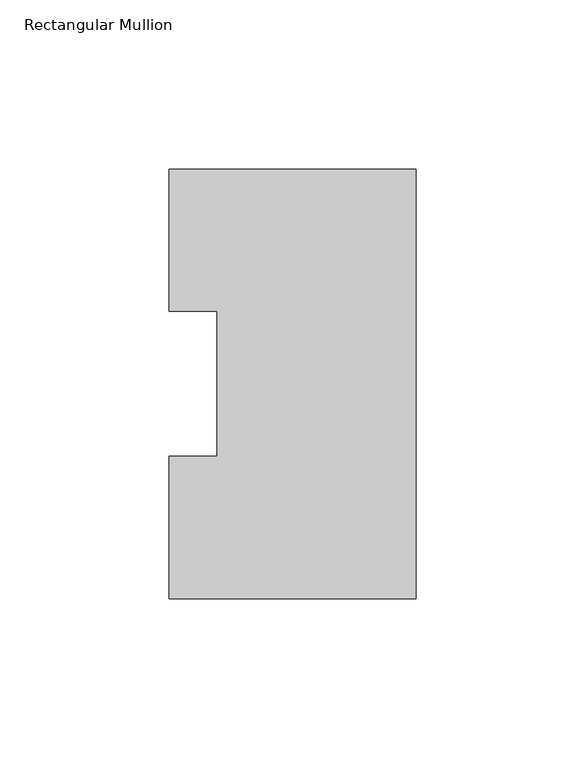
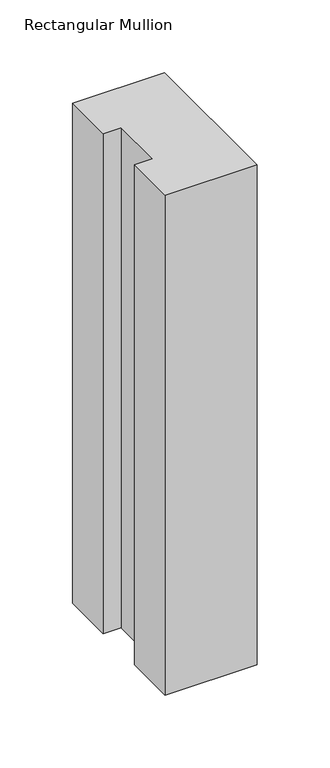
"""IFC4 building model written with IfcOpenShell, lengths in millimetres: member geometry, Rectangular Mullion."""

from ifc_helpers import new_model, si_unit, frame, origin, place, context, project, spatial, polyline, outline, extrude, source, transform, mapped, element, save


def rectangular_mullion_43b46924(model_context):
    return source(origin(), model_context, "Body", "SweptSolid", [
        extrude(outline(polyline([(0.0, 127.006348), (0.0, 0.0063465), (-73.025, 0.0063465), (-73.025, 42.0814491), (-58.7375, 42.0814491), (-58.7375, 84.93125), (-73.025, 84.93125), (-73.025, 127.006348), (0.0, 127.006348)])), frame((0.0, 0.0, -419.1), z_axis=(0.0, 0.0, 1.0), x_axis=(1.0, 0.0, 0.0)), (0.0, 0.0, 1.0), 419.1),
    ])


if __name__ == "__main__":
    model = new_model("IFC4")
    model_context = context("Model", 3, world=origin())
    ifc_project = project(units=[si_unit("LENGTHUNIT", "METRE", prefix="MILLI")], contexts=[model_context])
    site = spatial("IfcSite", under=ifc_project)
    building = spatial("IfcBuilding", under=site)
    placement = place(None, origin())
    rectangular_mullion_shape = rectangular_mullion_43b46924(model_context)
    element("IfcMember", 1, ObjectType="Rectangular Mullion", at=placement, inside=building, context=model_context, shape_type="MappedRepresentation", body=[
        mapped(rectangular_mullion_shape, transform((0.0, 0.0, 0.0), x_axis=(1.0, 0.0, 0.0), y_axis=(0.0, 1.0, 0.0), z_axis=(0.0, 0.0, 1.0))),
    ])
    save(model, "model.ifc")
